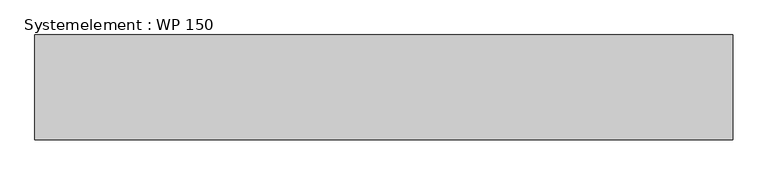
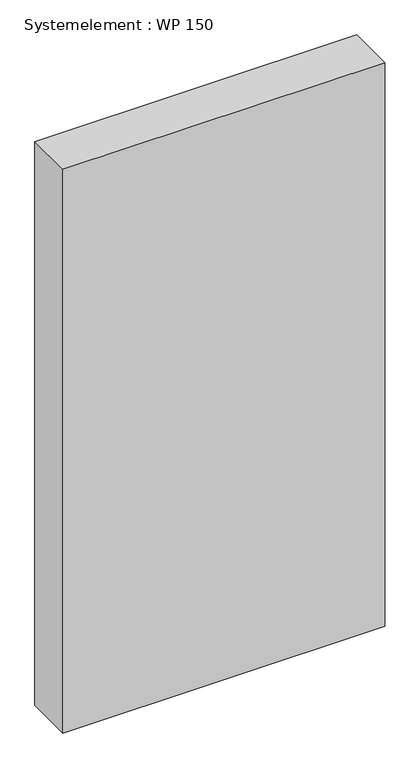
"""IFC4 building model written with IfcOpenShell, lengths in millimetres: plate geometry, Systemelement : WP 150."""

from ifc_helpers import new_model, si_unit, origin, origin_with_axes, place, context, project, spatial, polyline, outline, extrude, source, transform, mapped, element, save


def systemelement_wp_150_f49459fd(model_context):
    return source(origin(), model_context, "Body", "SweptSolid", [
        extrude(outline(polyline([(500.0, -150.0), (-500.0, -150.0), (-500.0, 0.0), (500.0, 0.0), (500.0, -150.0)])), origin_with_axes(), (0.0, 0.0, 1.0), 1851.6147161),
    ])


if __name__ == "__main__":
    model = new_model("IFC4")
    model_context = context("Model", 3, world=origin())
    ifc_project = project(units=[si_unit("LENGTHUNIT", "METRE", prefix="MILLI")], contexts=[model_context])
    site = spatial("IfcSite", under=ifc_project)
    building = spatial("IfcBuilding", under=site)
    placement = place(None, origin())
    systemelement_wp_150_shape = systemelement_wp_150_f49459fd(model_context)
    element("IfcPlate", 1, ObjectType="Systemelement : WP 150", at=placement, inside=building, context=model_context, shape_type="MappedRepresentation", body=[
        mapped(systemelement_wp_150_shape, transform((0.0, 0.0, 0.0), x_axis=(1.0, 0.0, 0.0), y_axis=(0.0, 1.0, 0.0), z_axis=(0.0, 0.0, 1.0))),
    ])
    save(model, "model.ifc")
